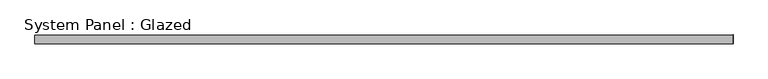
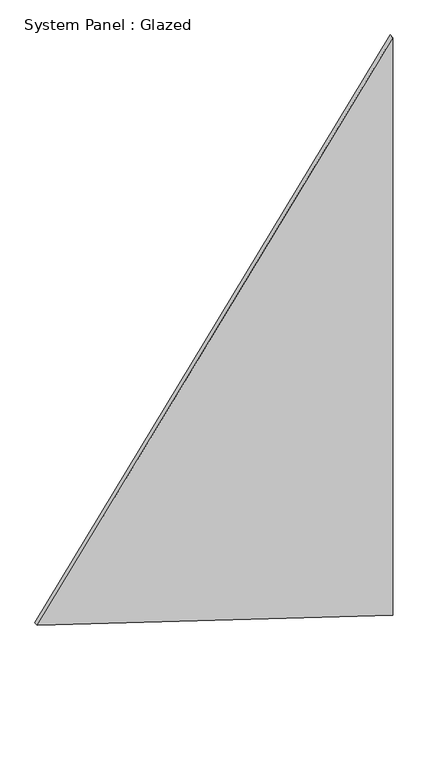
"""IFC4 building model written with IfcOpenShell, lengths in millimetres: plate geometry, System Panel : Glazed."""

from ifc_helpers import new_model, si_unit, frame, origin, place, context, project, spatial, polyline, outline, extrude, source, transform, mapped, element, save


def system_panel_glazed_48222377(model_context):
    return source(origin(), model_context, "Body", "SweptSolid", [
        extrude(outline(polyline([(641.1943696, -1000.2956997), (0.0, 1000.275544), (3439.0494566, 1000.2956997), (3439.5285811, 998.8007978), (641.1943696, -1000.2956997)])), frame((0.0, -49.5, 0.0), z_axis=(0.0, 1.0, 0.0), x_axis=(0.0, 0.0, 1.0)), (0.0, 0.0, 1.0), 25.0),
    ])


if __name__ == "__main__":
    model = new_model("IFC4")
    model_context = context("Model", 3, world=origin())
    ifc_project = project(units=[si_unit("LENGTHUNIT", "METRE", prefix="MILLI")], contexts=[model_context])
    site = spatial("IfcSite", under=ifc_project)
    building = spatial("IfcBuilding", under=site)
    placement = place(None, origin())
    system_panel_glazed_shape = system_panel_glazed_48222377(model_context)
    element("IfcPlate", 1, ObjectType="System Panel : Glazed", at=placement, inside=building, context=model_context, shape_type="MappedRepresentation", body=[
        mapped(system_panel_glazed_shape, transform((0.0, 0.0, 0.0), x_axis=(1.0, 0.0, 0.0), y_axis=(0.0, 1.0, 0.0), z_axis=(0.0, 0.0, 1.0))),
    ])
    save(model, "model.ifc")
